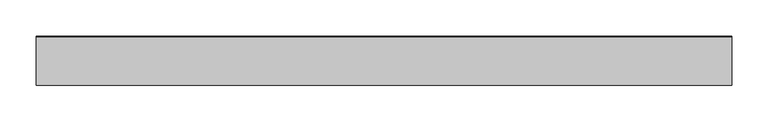
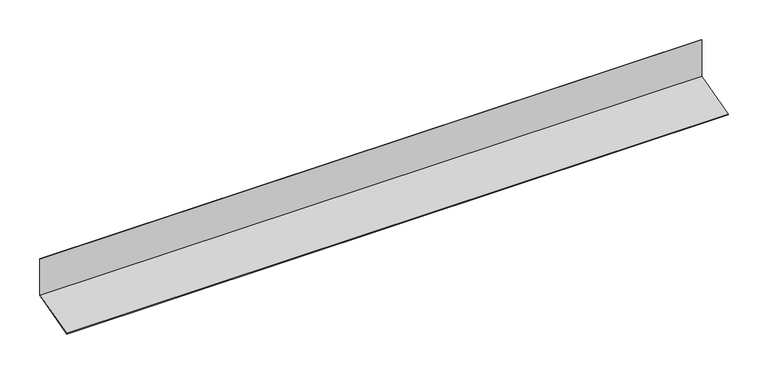
"""IFC4 building model written with IfcOpenShell, lengths in millimetres: proxy geometry."""

from ifc_helpers import new_model, si_unit, frame, origin, place, context, project, spatial, polyline, outline, extrude, source, transform, mapped, element, save


def generic_models_40270696(model_context):
    return source(origin(), model_context, "Body", "SweptSolid", [
        extrude(outline(polyline([(-10132.2979315, 1774.4460745), (-10132.2979315, 1830.0913228), (-10131.2979315, 1830.0913228), (-10131.2979315, 1773.6787475), (-10199.553268, 1755.3897852), (-10199.812087, 1756.355711), (-10132.2979315, 1774.4460745)])), frame((-8169.6781881, 0.0, 0.0), z_axis=(1.0, 0.0, 0.0), x_axis=(0.0, 1.0, 0.0)), (0.0, 0.0, 1.0), 965.0),
    ])


if __name__ == "__main__":
    model = new_model("IFC4")
    model_context = context("Model", 3, world=origin())
    ifc_project = project(units=[si_unit("LENGTHUNIT", "METRE", prefix="MILLI")], contexts=[model_context])
    site = spatial("IfcSite", under=ifc_project)
    building = spatial("IfcBuilding", under=site)
    placement = place(None, origin())
    generic_models_shape = generic_models_40270696(model_context)
    element("IfcBuildingElementProxy", 1, Name="Generic Models", at=placement, inside=building, context=model_context, shape_type="MappedRepresentation", body=[
        mapped(generic_models_shape, transform((0.0, 0.0, 0.0), x_axis=(1.0, 0.0, 0.0), y_axis=(0.0, 1.0, 0.0), z_axis=(0.0, 0.0, 1.0))),
    ])
    save(model, "model.ifc")
